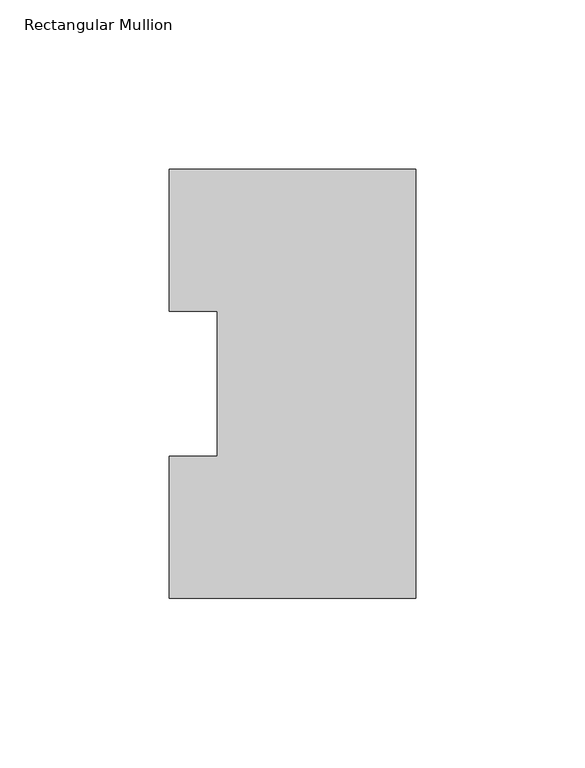
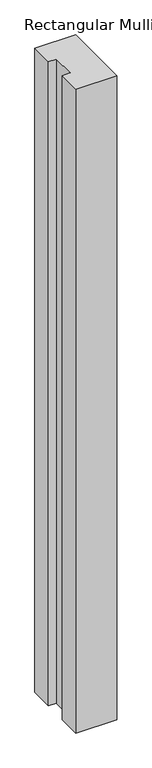
"""IFC4 building model written with IfcOpenShell, lengths in millimetres: member geometry, Rectangular Mullion."""

from ifc_helpers import new_model, si_unit, frame, origin, place, context, project, spatial, polyline, outline, extrude, source, transform, mapped, element, save


def rectangular_mullion_6a783e22(model_context):
    return source(origin(), model_context, "Body", "SweptSolid", [
        extrude(outline(polyline([(-73.025, 127.00635), (0.0, 127.00635), (0.0, 0.00635), (-73.025, 0.00635), (-73.025, 42.08145), (-58.7375, 42.08145), (-58.7375, 84.93125), (-73.025, 84.93125), (-73.025, 127.00635)])), frame((0.0, 0.0, -1219.2), z_axis=(0.0, 0.0, 1.0), x_axis=(1.0, 0.0, 0.0)), (0.0, 0.0, 1.0), 1219.2),
    ])


if __name__ == "__main__":
    model = new_model("IFC4")
    model_context = context("Model", 3, world=origin())
    ifc_project = project(units=[si_unit("LENGTHUNIT", "METRE", prefix="MILLI")], contexts=[model_context])
    site = spatial("IfcSite", under=ifc_project)
    building = spatial("IfcBuilding", under=site)
    placement = place(None, origin())
    rectangular_mullion_shape = rectangular_mullion_6a783e22(model_context)
    element("IfcMember", 1, ObjectType="Rectangular Mullion", at=placement, inside=building, context=model_context, shape_type="MappedRepresentation", body=[
        mapped(rectangular_mullion_shape, transform((0.0, 0.0, 0.0), x_axis=(1.0, 0.0, 0.0), y_axis=(0.0, 1.0, 0.0), z_axis=(0.0, 0.0, 1.0))),
    ])
    save(model, "model.ifc")
